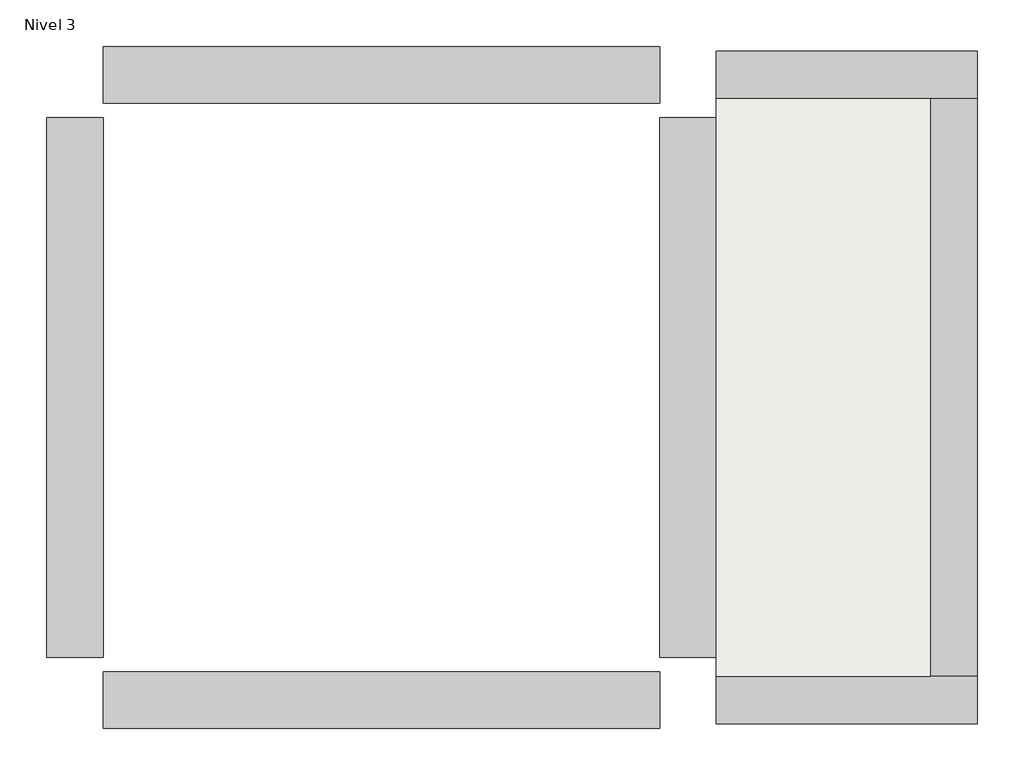
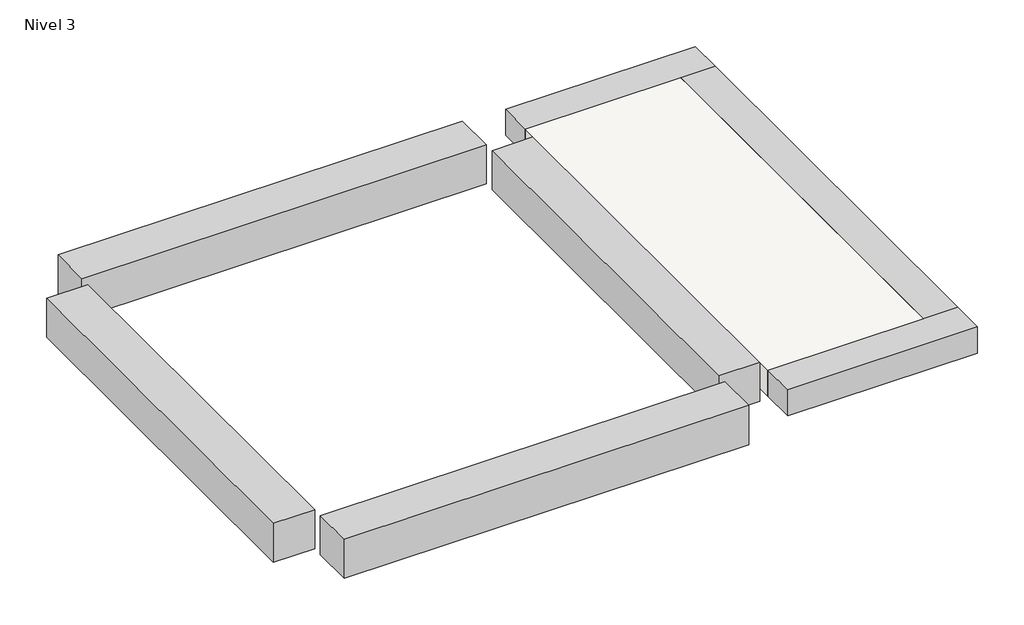
# One storey: 7 beams, 1 slab.
"""IFC4 building model written with IfcOpenShell, lengths in millimetres."""

from ifc_helpers import new_model, si_unit, frame, origin, place, context, project, spatial, polyline, outline, extrude, faceted_brep, element, save

model = new_model("IFC4")

# Units and contexts
model_context = context("Model", 3, world=origin())
ifc_project = project(units=[si_unit("LENGTHUNIT", "METRE", prefix="MILLI")], contexts=[model_context])

# Site, building, storey
site = spatial("IfcSite", under=ifc_project)
building = spatial("IfcBuilding", under=site)
storey = spatial("IfcBuildingStorey", under=building, Name="Nivel 3", Elevation=5800.0)

# Beams
placement = place(None, origin())
element("IfcBeam", 1, at=placement, inside=storey, context=model_context, shape_type="SweptSolid", body=[
    extrude(outline(polyline([(-3128.8078166, 1912.8674421), (-3128.8078166, 2212.8674421), (-192.206038, 2212.8674421), (-192.206038, 1912.8674421), (-3128.8078166, 1912.8674421)])), frame((0.0, 0.0, 5500.0), z_axis=(0.0, 0.0, 1.0), x_axis=(1.0, 0.0, 0.0)), (0.0, 0.0, 1.0), 300.0),
])
element("IfcBeam", 2, at=placement, inside=storey, context=model_context, shape_type="SweptSolid", body=[
    extrude(outline(polyline([(-192.206038, 1837.8674421), (107.793962, 1837.8674421), (107.793962, -1014.5074606), (-192.206038, -1014.5074606), (-192.206038, 1837.8674421)])), frame((0.0, 0.0, 5500.0), z_axis=(0.0, 0.0, 1.0), x_axis=(1.0, 0.0, 0.0)), (0.0, 0.0, 1.0), 300.0),
])
element("IfcBeam", 3, at=placement, inside=storey, context=model_context, shape_type="SweptSolid", body=[
    extrude(outline(polyline([(-3128.8078166, -1389.5074606), (-3128.8078166, -1089.5074606), (-192.206038, -1089.5074606), (-192.206038, -1389.5074606), (-3128.8078166, -1389.5074606)])), frame((0.0, 0.0, 5500.0), z_axis=(0.0, 0.0, 1.0), x_axis=(1.0, 0.0, 0.0)), (0.0, 0.0, 1.0), 300.0),
])
element("IfcBeam", 4, at=placement, inside=storey, context=model_context, shape_type="SweptSolid", body=[
    extrude(outline(polyline([(-3128.8078166, -1014.5074606), (-3428.8078166, -1014.5074606), (-3428.8078166, 1837.8674421), (-3128.8078166, 1837.8674421), (-3128.8078166, -1014.5074606)])), frame((0.0, 0.0, 5500.0), z_axis=(0.0, 0.0, 1.0), x_axis=(1.0, 0.0, 0.0)), (0.0, 0.0, 1.0), 300.0),
])
element("IfcBeam", 5, ObjectType="0.20x0.25", at=placement, inside=storey, context=model_context, shape_type="Brep", body=[
    faceted_brep([(1485.6448711, 1937.8674421, 5800.0), (1485.6448711, 2187.8674421, 5800.0), (107.793962, 2187.8674421, 5800.0), (107.793962, 1937.8674421, 5800.0), (1235.6448711, 1937.8674421, 5800.0), (1485.6448711, 1937.8674421, 5600.0), (107.793962, 1937.8674421, 5600.0), (1235.6448711, 1937.8674421, 5600.0), (1485.6448711, 2187.8674421, 5600.0), (107.793962, 2187.8674421, 5600.0)], [[[0, 1, 2, 3, 4]], [[5, 0, 4, 3, 6, 7]], [[8, 5, 7, 6, 9]], [[1, 8, 9, 2]], [[1, 0, 5, 8]], [[3, 2, 9, 6]]]),
])
element("IfcBeam", 6, ObjectType="0.20x0.25", at=placement, inside=storey, context=model_context, shape_type="Brep", body=[
    faceted_brep([(1485.6448711, -1364.5074606, 5800.0), (1485.6448711, -1114.5074606, 5800.0), (1235.6448711, -1114.5074606, 5800.0), (107.793962, -1114.5074606, 5800.0), (107.793962, -1364.5074606, 5800.0), (1485.6448711, -1364.5074606, 5600.0), (107.793962, -1364.5074606, 5600.0), (1485.6448711, -1114.5074606, 5600.0), (107.793962, -1114.5074606, 5600.0), (1235.6448711, -1114.5074606, 5600.0)], [[[0, 1, 2, 3, 4]], [[5, 0, 4, 6]], [[7, 5, 6, 8, 9]], [[1, 7, 9, 8, 3, 2]], [[1, 0, 5, 7]], [[4, 3, 8, 6]]]),
])
element("IfcBeam", 7, ObjectType="0.20x0.25", at=placement, inside=storey, context=model_context, shape_type="SweptSolid", body=[
    extrude(outline(polyline([(1235.6448711, 1937.8674421), (1485.6448711, 1937.8674421), (1485.6448711, -1114.5074606), (1235.6448711, -1114.5074606), (1235.6448711, 1937.8674421)])), frame((0.0, 0.0, 5600.0), z_axis=(0.0, 0.0, 1.0), x_axis=(1.0, 0.0, 0.0)), (0.0, 0.0, 1.0), 200.0),
])

# Slab
element("IfcSlab", 8, ObjectType="0.20", at=placement, inside=storey, context=model_context, shape_type="SweptSolid", body=[
    extrude(outline(polyline([(107.793962, 1937.8674421), (1235.6448711, 1937.8674421), (1235.6448711, -1114.5074606), (107.793962, -1114.5074606), (107.793962, 1937.8674421)])), frame((0.0, 0.0, 5600.0), z_axis=(0.0, 0.0, 1.0), x_axis=(1.0, 0.0, 0.0)), (0.0, 0.0, 1.0), 200.0),
])

save(model, "model.ifc")
